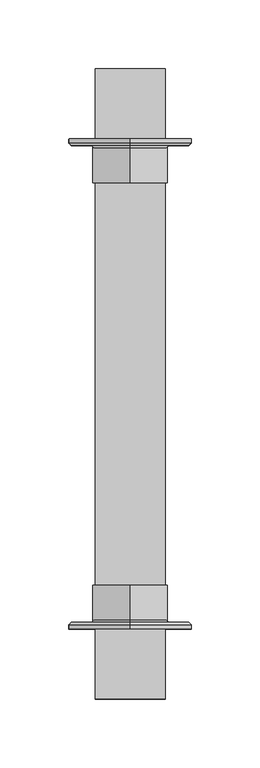
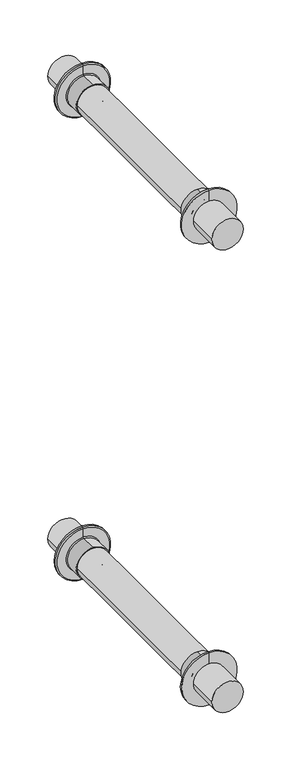
"""IFC4 building model written with IfcOpenShell, lengths in millimetres: railing geometry."""

from ifc_helpers import new_model, si_unit, point, frame, frame_2d, origin, place, context, project, spatial, polyline, circle_curve, ellipse_curve, trimmed, segment, composite_curve, outline, extrude, source, transform, mapped, element, save
from ifc_brep_helpers import plane_surface, cylinder_surface, revolved_surface, advanced_brep


def railing_b1e4fcb9(model_context):
    return source(origin(), model_context, "Body", "SolidModel", [
        extrude(outline(composite_curve([segment(trimmed(circle_curve(frame_2d((2876.826087, 5063.3486243)), 25.4), [point((2876.826087, 5037.9486243))], [point((2876.826087, 5088.7486243))], False, "CARTESIAN"), True, "CONTINUOUS"), segment(trimmed(circle_curve(frame_2d((2876.826087, 5063.3486243)), 25.4), [point((2876.826087, 5088.7486243))], [point((2876.826087, 5037.9486243))], False, "CARTESIAN"), True, "CONTINUOUS")], self_intersect=False)), frame((0.0, 2184.6935787, 0.0), z_axis=(0.0, 1.0, 0.0), x_axis=(0.0, 0.0, 1.0)), (0.0, 0.0, 1.0), 457.2),
        extrude(outline(composite_curve([segment(trimmed(circle_curve(frame_2d((2089.426087, 5063.3486243)), 25.4), [point((2089.426087, 5037.9486243))], [point((2089.426087, 5088.7486243))], False, "CARTESIAN"), True, "CONTINUOUS"), segment(trimmed(circle_curve(frame_2d((2089.426087, 5063.3486243)), 25.4), [point((2089.426087, 5088.7486243))], [point((2089.426087, 5037.9486243))], False, "CARTESIAN"), True, "CONTINUOUS")], self_intersect=False)), frame((0.0, 2184.6935787, 0.0), z_axis=(0.0, 1.0, 0.0), x_axis=(0.0, 0.0, 1.0)), (0.0, 0.0, 1.0), 457.2),
        advanced_brep(
        [(5063.3486243, 2587.9185787, 2045.0106913), (5063.3486243, 2587.9185787, 2133.9106913), (5063.3486243, 2586.3310787, 2132.3231913), (5063.3486243, 2586.3310787, 2046.5981913), (5063.3486243, 2586.3310787, 2118.0356913), (5063.3486243, 2586.3310787, 2060.8856913), (5063.3486243, 2584.7435787, 2116.4481913), (5063.3486243, 2584.7435787, 2062.4731913), (5063.3486243, 2591.0935787, 2089.4606913), (5063.3486243, 2591.0935787, 2133.9106913), (5063.3486243, 2591.0935787, 2045.0106913), (5063.3486243, 2559.3435787, 2116.4481913), (5063.3486243, 2559.3435787, 2062.4731913), (5063.3486243, 2559.3435787, 2089.4606913)],
        [
            (0, 1, circle_curve(frame((5063.3486243, 2587.9185787, 2089.4606913), z_axis=(0.0, -1.0, 0.0), x_axis=(0.0, 0.0, 1.0)), 44.45)),
            (1, 2),
            (2, 3, circle_curve(frame((5063.3486243, 2586.3310787, 2089.4606913), z_axis=(0.0, 1.0, 0.0), x_axis=(0.0, 0.0, 1.0)), 42.8625)),
            (3, 0),
            (1, 0, circle_curve(frame((5063.3486243, 2587.9185787, 2089.4606913), z_axis=(0.0, -1.0, 0.0), x_axis=(0.0, 0.0, 1.0)), 44.45)),
            (3, 2, circle_curve(frame((5063.3486243, 2586.3310787, 2089.4606913), z_axis=(0.0, 1.0, 0.0), x_axis=(0.0, 0.0, 1.0)), 42.8625)),
            (2, 4),
            (4, 5, circle_curve(frame((5063.3486243, 2586.3310787, 2089.4606913), z_axis=(0.0, 1.0, 0.0), x_axis=(0.0, 0.0, 1.0)), 28.575)),
            (5, 3),
            (5, 4, circle_curve(frame((5063.3486243, 2586.3310787, 2089.4606913), z_axis=(0.0, 1.0, 0.0), x_axis=(0.0, 0.0, 1.0)), 28.575)),
            (4, 6, circle_curve(frame((5063.3486243, 2584.7435787, 2118.0356913), z_axis=(-1.0, 0.0, 0.0), x_axis=(0.0, 1.0, 0.0)), 1.5875)),
            (6, 7, circle_curve(frame((5063.3486243, 2584.7435787, 2089.4606913), z_axis=(0.0, 1.0, 0.0), x_axis=(0.0, 0.0, 1.0)), 26.9875)),
            (7, 5, circle_curve(frame((5063.3486243, 2584.7435787, 2060.8856913), z_axis=(-1.0, 0.0, 0.0), x_axis=(0.0, 1.0, 0.0)), 1.5875)),
            (7, 6, circle_curve(frame((5063.3486243, 2584.7435787, 2089.4606913), z_axis=(0.0, 1.0, 0.0), x_axis=(0.0, 0.0, 1.0)), 26.9875)),
            (8, 9),
            (9, 10, circle_curve(frame((5063.3486243, 2591.0935787, 2089.4606913), z_axis=(0.0, 1.0, 0.0), x_axis=(0.0, 0.0, 1.0)), 44.45)),
            (10, 8),
            (10, 9, circle_curve(frame((5063.3486243, 2591.0935787, 2089.4606913), z_axis=(0.0, 1.0, 0.0), x_axis=(0.0, 0.0, 1.0)), 44.45)),
            (9, 1),
            (0, 10),
            (6, 11),
            (11, 12, circle_curve(frame((5063.3486243, 2559.3435787, 2089.4606913), z_axis=(0.0, 1.0, 0.0), x_axis=(0.0, 0.0, 1.0)), 26.9875)),
            (12, 7),
            (12, 11, circle_curve(frame((5063.3486243, 2559.3435787, 2089.4606913), z_axis=(0.0, 1.0, 0.0), x_axis=(0.0, 0.0, 1.0)), 26.9875)),
            (11, 13),
            (13, 12),
        ],
        [
            revolved_surface(polyline([(5063.3486243, 2586.3310787, 2132.3231913), (5063.3486243, 2587.9185787, 2133.9106913)]), (5063.3486243, 2559.3435787, 2089.4606913), (0.0, 1.0, 0.0)),
            plane_surface(frame((5063.3486243, 2586.3310787, 2089.4606913), z_axis=(0.0, -1.0, 0.0), x_axis=(0.0, 0.0, 1.0))),
            revolved_surface(trimmed(ellipse_curve(frame((5063.3486243, 2584.7435787, 2118.0356913), z_axis=(1.0, 0.0, 0.0), x_axis=(0.0, 1.0, 0.0)), 1.5875, 1.5875), [point((5063.3486243, 2584.7435787, 2116.4481913))], [point((5063.3486243, 2586.3310787, 2118.0356913))], True, "CARTESIAN"), (5063.3486243, 2559.3435787, 2089.4606913), (0.0, 1.0, 0.0)),
            plane_surface(frame((5063.3486243, 2591.0935787, 2089.4606913), z_axis=(0.0, 1.0, 0.0), x_axis=(0.0, 0.0, 1.0))),
            cylinder_surface(frame((5063.3486243, 2559.3435787, 2089.4606913), z_axis=(0.0, 1.0, 0.0), x_axis=(0.0, 0.0, 1.0)), 44.45),
            cylinder_surface(frame((5063.3486243, 2559.3435787, 2089.4606913), z_axis=(0.0, 1.0, 0.0), x_axis=(0.0, 0.0, 1.0)), 26.9875),
            plane_surface(frame((5063.3486243, 2559.3435787, 2089.4606913), z_axis=(0.0, -1.0, 0.0), x_axis=(0.0, 0.0, 1.0))),
        ],
        [
            (0, [[1, 2, 3, 4]]),
            (0, [[5, -4, 6, -2]]),
            (1, [[-3, 7, 8, 9]]),
            (1, [[-6, -9, 10, -7]]),
            (2, [[-8, 11, 12, 13]]),
            (2, [[-10, -13, 14, -11]]),
            (3, [[15, 16, 17]]),
            (3, [[-17, 18, -15]]),
            (4, [[-16, 19, -1, 20]]),
            (4, [[-18, -20, -5, -19]]),
            (5, [[-12, 21, 22, 23]]),
            (5, [[-14, -23, 24, -21]]),
            (6, [[-22, 25, 26]]),
            (6, [[-24, -26, -25]]),
        ],
    ),
        advanced_brep(
        [(5063.3486243, 2587.9185787, 2832.669641), (5063.3486243, 2587.9185787, 2921.569641), (5063.3486243, 2586.3310787, 2919.982141), (5063.3486243, 2586.3310787, 2834.257141), (5063.3486243, 2586.3310787, 2905.694641), (5063.3486243, 2586.3310787, 2848.544641), (5063.3486243, 2584.7435787, 2904.107141), (5063.3486243, 2584.7435787, 2850.132141), (5063.3486243, 2591.0935787, 2877.119641), (5063.3486243, 2591.0935787, 2921.569641), (5063.3486243, 2591.0935787, 2832.669641), (5063.3486243, 2559.3435787, 2904.107141), (5063.3486243, 2559.3435787, 2850.132141), (5063.3486243, 2559.3435787, 2877.119641)],
        [
            (0, 1, circle_curve(frame((5063.3486243, 2587.9185787, 2877.119641), z_axis=(0.0, -1.0, 0.0), x_axis=(0.0, 0.0, 1.0)), 44.45)),
            (1, 2),
            (2, 3, circle_curve(frame((5063.3486243, 2586.3310787, 2877.119641), z_axis=(0.0, 1.0, 0.0), x_axis=(0.0, 0.0, 1.0)), 42.8625)),
            (3, 0),
            (1, 0, circle_curve(frame((5063.3486243, 2587.9185787, 2877.119641), z_axis=(0.0, -1.0, 0.0), x_axis=(0.0, 0.0, 1.0)), 44.45)),
            (3, 2, circle_curve(frame((5063.3486243, 2586.3310787, 2877.119641), z_axis=(0.0, 1.0, 0.0), x_axis=(0.0, 0.0, 1.0)), 42.8625)),
            (2, 4),
            (4, 5, circle_curve(frame((5063.3486243, 2586.3310787, 2877.119641), z_axis=(0.0, 1.0, 0.0), x_axis=(0.0, 0.0, 1.0)), 28.575)),
            (5, 3),
            (5, 4, circle_curve(frame((5063.3486243, 2586.3310787, 2877.119641), z_axis=(0.0, 1.0, 0.0), x_axis=(0.0, 0.0, 1.0)), 28.575)),
            (4, 6, circle_curve(frame((5063.3486243, 2584.7435787, 2905.694641), z_axis=(-1.0, 0.0, 0.0), x_axis=(0.0, 1.0, 0.0)), 1.5875)),
            (6, 7, circle_curve(frame((5063.3486243, 2584.7435787, 2877.119641), z_axis=(0.0, 1.0, 0.0), x_axis=(0.0, 0.0, 1.0)), 26.9875)),
            (7, 5, circle_curve(frame((5063.3486243, 2584.7435787, 2848.544641), z_axis=(-1.0, 0.0, 0.0), x_axis=(0.0, 1.0, 0.0)), 1.5875)),
            (7, 6, circle_curve(frame((5063.3486243, 2584.7435787, 2877.119641), z_axis=(0.0, 1.0, 0.0), x_axis=(0.0, 0.0, 1.0)), 26.9875)),
            (8, 9),
            (9, 10, circle_curve(frame((5063.3486243, 2591.0935787, 2877.119641), z_axis=(0.0, 1.0, 0.0), x_axis=(0.0, 0.0, 1.0)), 44.45)),
            (10, 8),
            (10, 9, circle_curve(frame((5063.3486243, 2591.0935787, 2877.119641), z_axis=(0.0, 1.0, 0.0), x_axis=(0.0, 0.0, 1.0)), 44.45)),
            (9, 1),
            (0, 10),
            (6, 11),
            (11, 12, circle_curve(frame((5063.3486243, 2559.3435787, 2877.119641), z_axis=(0.0, 1.0, 0.0), x_axis=(0.0, 0.0, 1.0)), 26.9875)),
            (12, 7),
            (12, 11, circle_curve(frame((5063.3486243, 2559.3435787, 2877.119641), z_axis=(0.0, 1.0, 0.0), x_axis=(0.0, 0.0, 1.0)), 26.9875)),
            (11, 13),
            (13, 12),
        ],
        [
            revolved_surface(polyline([(5063.3486243, 2586.3310787, 2919.982141), (5063.3486243, 2587.9185787, 2921.569641)]), (5063.3486243, 2591.0935787, 2877.119641), (0.0, 1.0, 0.0)),
            plane_surface(frame((5063.3486243, 2586.3310787, 2877.119641), z_axis=(0.0, -1.0, 0.0), x_axis=(0.0, 0.0, 1.0))),
            revolved_surface(trimmed(ellipse_curve(frame((5063.3486243, 2584.7435787, 2905.694641), z_axis=(1.0, 0.0, 0.0), x_axis=(0.0, 1.0, 0.0)), 1.5875, 1.5875), [point((5063.3486243, 2584.7435787, 2904.107141))], [point((5063.3486243, 2586.3310787, 2905.694641))], True, "CARTESIAN"), (5063.3486243, 2591.0935787, 2877.119641), (0.0, 1.0, 0.0)),
            plane_surface(frame((5063.3486243, 2591.0935787, 2877.119641), z_axis=(0.0, 1.0, 0.0), x_axis=(0.0, 0.0, 1.0))),
            cylinder_surface(frame((5063.3486243, 2591.0935787, 2877.119641), z_axis=(0.0, 1.0, 0.0), x_axis=(0.0, 0.0, 1.0)), 44.45),
            cylinder_surface(frame((5063.3486243, 2591.0935787, 2877.119641), z_axis=(0.0, 1.0, 0.0), x_axis=(0.0, 0.0, 1.0)), 26.9875),
            plane_surface(frame((5063.3486243, 2559.3435787, 2877.119641), z_axis=(0.0, -1.0, 0.0), x_axis=(0.0, 0.0, 1.0))),
        ],
        [
            (0, [[1, 2, 3, 4]]),
            (0, [[5, -4, 6, -2]]),
            (1, [[-3, 7, 8, 9]]),
            (1, [[-6, -9, 10, -7]]),
            (2, [[-8, 11, 12, 13]]),
            (2, [[-10, -13, 14, -11]]),
            (3, [[15, 16, 17]]),
            (3, [[-17, 18, -15]]),
            (4, [[-16, 19, -1, 20]]),
            (4, [[-18, -20, -5, -19]]),
            (5, [[-12, 21, 22, 23]]),
            (5, [[-14, -23, 24, -21]]),
            (6, [[-22, 25, 26]]),
            (6, [[-24, -26, -25]]),
        ],
    ),
        advanced_brep(
        [(5063.3486243, 2240.2560787, 2046.549264), (5063.3486243, 2240.2560787, 2132.274264), (5063.3486243, 2238.6685787, 2133.861764), (5063.3486243, 2238.6685787, 2044.961764), (5063.3486243, 2240.2560787, 2060.836764), (5063.3486243, 2240.2560787, 2117.986764), (5063.3486243, 2241.8435787, 2062.424264), (5063.3486243, 2241.8435787, 2116.399264), (5063.3486243, 2235.4935787, 2044.961764), (5063.3486243, 2235.4935787, 2133.861764), (5063.3486243, 2235.4935787, 2089.411764), (5063.3486243, 2267.2435787, 2062.424264), (5063.3486243, 2267.2435787, 2116.399264), (5063.3486243, 2267.2435787, 2089.411764)],
        [
            (0, 1, circle_curve(frame((5063.3486243, 2240.2560787, 2089.411764), z_axis=(0.0, -1.0, 0.0), x_axis=(0.0, 0.0, 1.0)), 42.8625)),
            (1, 2),
            (2, 3, circle_curve(frame((5063.3486243, 2238.6685787, 2089.411764), z_axis=(0.0, 1.0, 0.0), x_axis=(0.0, 0.0, 1.0)), 44.45)),
            (3, 0),
            (1, 0, circle_curve(frame((5063.3486243, 2240.2560787, 2089.411764), z_axis=(0.0, -1.0, 0.0), x_axis=(0.0, 0.0, 1.0)), 42.8625)),
            (3, 2, circle_curve(frame((5063.3486243, 2238.6685787, 2089.411764), z_axis=(0.0, 1.0, 0.0), x_axis=(0.0, 0.0, 1.0)), 44.45)),
            (4, 5, circle_curve(frame((5063.3486243, 2240.2560787, 2089.411764), z_axis=(0.0, -1.0, 0.0), x_axis=(0.0, 0.0, 1.0)), 28.575)),
            (5, 1),
            (0, 4),
            (5, 4, circle_curve(frame((5063.3486243, 2240.2560787, 2089.411764), z_axis=(0.0, -1.0, 0.0), x_axis=(0.0, 0.0, 1.0)), 28.575)),
            (6, 7, circle_curve(frame((5063.3486243, 2241.8435787, 2089.411764), z_axis=(0.0, -1.0, 0.0), x_axis=(0.0, 0.0, 1.0)), 26.9875)),
            (7, 5, circle_curve(frame((5063.3486243, 2241.8435787, 2117.986764), z_axis=(-1.0, 0.0, 0.0), x_axis=(0.0, -1.0, 0.0)), 1.5875)),
            (4, 6, circle_curve(frame((5063.3486243, 2241.8435787, 2060.836764), z_axis=(-1.0, 0.0, 0.0), x_axis=(0.0, -1.0, 0.0)), 1.5875)),
            (7, 6, circle_curve(frame((5063.3486243, 2241.8435787, 2089.411764), z_axis=(0.0, -1.0, 0.0), x_axis=(0.0, 0.0, 1.0)), 26.9875)),
            (8, 9, circle_curve(frame((5063.3486243, 2235.4935787, 2089.411764), z_axis=(0.0, -1.0, 0.0), x_axis=(0.0, 0.0, 1.0)), 44.45)),
            (9, 10),
            (10, 8),
            (9, 8, circle_curve(frame((5063.3486243, 2235.4935787, 2089.411764), z_axis=(0.0, -1.0, 0.0), x_axis=(0.0, 0.0, 1.0)), 44.45)),
            (2, 9),
            (8, 3),
            (11, 12, circle_curve(frame((5063.3486243, 2267.2435787, 2089.411764), z_axis=(0.0, -1.0, 0.0), x_axis=(0.0, 0.0, 1.0)), 26.9875)),
            (12, 7),
            (6, 11),
            (12, 11, circle_curve(frame((5063.3486243, 2267.2435787, 2089.411764), z_axis=(0.0, -1.0, 0.0), x_axis=(0.0, 0.0, 1.0)), 26.9875)),
            (13, 12),
            (11, 13),
        ],
        [
            revolved_surface(polyline([(5063.3486243, 2238.6685787, 2133.861764), (5063.3486243, 2240.2560787, 2132.274264)]), (5063.3486243, 2267.2435787, 2089.411764), (0.0, 1.0, 0.0)),
            plane_surface(frame((5063.3486243, 2240.2560787, 2089.411764), z_axis=(0.0, 1.0, 0.0), x_axis=(0.0, 0.0, 1.0))),
            revolved_surface(trimmed(ellipse_curve(frame((5063.3486243, 2241.8435787, 2117.986764), z_axis=(1.0, 0.0, 0.0), x_axis=(0.0, -1.0, 0.0)), 1.5875, 1.5875), [point((5063.3486243, 2240.2560787, 2117.986764))], [point((5063.3486243, 2241.8435787, 2116.399264))], True, "CARTESIAN"), (5063.3486243, 2267.2435787, 2089.411764), (0.0, 1.0, 0.0)),
            plane_surface(frame((5063.3486243, 2235.4935787, 2089.411764), z_axis=(0.0, -1.0, 0.0), x_axis=(0.0, 0.0, 1.0))),
            cylinder_surface(frame((5063.3486243, 2267.2435787, 2089.411764), z_axis=(0.0, 1.0, 0.0), x_axis=(0.0, 0.0, 1.0)), 44.45),
            cylinder_surface(frame((5063.3486243, 2267.2435787, 2089.411764), z_axis=(0.0, 1.0, 0.0), x_axis=(0.0, 0.0, 1.0)), 26.9875),
            plane_surface(frame((5063.3486243, 2267.2435787, 2089.411764), z_axis=(0.0, 1.0, 0.0), x_axis=(0.0, 0.0, 1.0))),
        ],
        [
            (0, [[1, 2, 3, 4]]),
            (0, [[5, -4, 6, -2]]),
            (1, [[7, 8, -1, 9]]),
            (1, [[10, -9, -5, -8]]),
            (2, [[11, 12, -7, 13]]),
            (2, [[14, -13, -10, -12]]),
            (3, [[15, 16, 17]]),
            (3, [[18, -17, -16]]),
            (4, [[-3, 19, -15, 20]]),
            (4, [[-6, -20, -18, -19]]),
            (5, [[21, 22, -11, 23]]),
            (5, [[24, -23, -14, -22]]),
            (6, [[25, -21, 26]]),
            (6, [[-26, -24, -25]]),
        ],
    ),
        advanced_brep(
        [(5063.3486243, 2240.2560787, 2833.7651495), (5063.3486243, 2240.2560787, 2919.4901495), (5063.3486243, 2238.6685787, 2921.0776495), (5063.3486243, 2238.6685787, 2832.1776495), (5063.3486243, 2240.2560787, 2848.0526495), (5063.3486243, 2240.2560787, 2905.2026495), (5063.3486243, 2241.8435787, 2849.6401495), (5063.3486243, 2241.8435787, 2903.6151495), (5063.3486243, 2235.4935787, 2832.1776495), (5063.3486243, 2235.4935787, 2921.0776495), (5063.3486243, 2235.4935787, 2876.6276495), (5063.3486243, 2267.2435787, 2849.6401495), (5063.3486243, 2267.2435787, 2903.6151495), (5063.3486243, 2267.2435787, 2876.6276495)],
        [
            (0, 1, circle_curve(frame((5063.3486243, 2240.2560787, 2876.6276495), z_axis=(0.0, -1.0, 0.0), x_axis=(0.0, 0.0, 1.0)), 42.8625)),
            (1, 2),
            (2, 3, circle_curve(frame((5063.3486243, 2238.6685787, 2876.6276495), z_axis=(0.0, 1.0, 0.0), x_axis=(0.0, 0.0, 1.0)), 44.45)),
            (3, 0),
            (1, 0, circle_curve(frame((5063.3486243, 2240.2560787, 2876.6276495), z_axis=(0.0, -1.0, 0.0), x_axis=(0.0, 0.0, 1.0)), 42.8625)),
            (3, 2, circle_curve(frame((5063.3486243, 2238.6685787, 2876.6276495), z_axis=(0.0, 1.0, 0.0), x_axis=(0.0, 0.0, 1.0)), 44.45)),
            (4, 5, circle_curve(frame((5063.3486243, 2240.2560787, 2876.6276495), z_axis=(0.0, -1.0, 0.0), x_axis=(0.0, 0.0, 1.0)), 28.575)),
            (5, 1),
            (0, 4),
            (5, 4, circle_curve(frame((5063.3486243, 2240.2560787, 2876.6276495), z_axis=(0.0, -1.0, 0.0), x_axis=(0.0, 0.0, 1.0)), 28.575)),
            (6, 7, circle_curve(frame((5063.3486243, 2241.8435787, 2876.6276495), z_axis=(0.0, -1.0, 0.0), x_axis=(0.0, 0.0, 1.0)), 26.9875)),
            (7, 5, circle_curve(frame((5063.3486243, 2241.8435787, 2905.2026495), z_axis=(-1.0, 0.0, 0.0), x_axis=(0.0, -1.0, 0.0)), 1.5875)),
            (4, 6, circle_curve(frame((5063.3486243, 2241.8435787, 2848.0526495), z_axis=(-1.0, 0.0, 0.0), x_axis=(0.0, -1.0, 0.0)), 1.5875)),
            (7, 6, circle_curve(frame((5063.3486243, 2241.8435787, 2876.6276495), z_axis=(0.0, -1.0, 0.0), x_axis=(0.0, 0.0, 1.0)), 26.9875)),
            (8, 9, circle_curve(frame((5063.3486243, 2235.4935787, 2876.6276495), z_axis=(0.0, -1.0, 0.0), x_axis=(0.0, 0.0, 1.0)), 44.45)),
            (9, 10),
            (10, 8),
            (9, 8, circle_curve(frame((5063.3486243, 2235.4935787, 2876.6276495), z_axis=(0.0, -1.0, 0.0), x_axis=(0.0, 0.0, 1.0)), 44.45)),
            (2, 9),
            (8, 3),
            (11, 12, circle_curve(frame((5063.3486243, 2267.2435787, 2876.6276495), z_axis=(0.0, -1.0, 0.0), x_axis=(0.0, 0.0, 1.0)), 26.9875)),
            (12, 7),
            (6, 11),
            (12, 11, circle_curve(frame((5063.3486243, 2267.2435787, 2876.6276495), z_axis=(0.0, -1.0, 0.0), x_axis=(0.0, 0.0, 1.0)), 26.9875)),
            (13, 12),
            (11, 13),
        ],
        [
            revolved_surface(polyline([(5063.3486243, 2238.6685787, 2921.0776495), (5063.3486243, 2240.2560787, 2919.4901495)]), (5063.3486243, 2235.4935787, 2876.6276495), (0.0, 1.0, 0.0)),
            plane_surface(frame((5063.3486243, 2240.2560787, 2876.6276495), z_axis=(0.0, 1.0, 0.0), x_axis=(0.0, 0.0, 1.0))),
            revolved_surface(trimmed(ellipse_curve(frame((5063.3486243, 2241.8435787, 2905.2026495), z_axis=(1.0, 0.0, 0.0), x_axis=(0.0, -1.0, 0.0)), 1.5875, 1.5875), [point((5063.3486243, 2240.2560787, 2905.2026495))], [point((5063.3486243, 2241.8435787, 2903.6151495))], True, "CARTESIAN"), (5063.3486243, 2235.4935787, 2876.6276495), (0.0, 1.0, 0.0)),
            plane_surface(frame((5063.3486243, 2235.4935787, 2876.6276495), z_axis=(0.0, -1.0, 0.0), x_axis=(0.0, 0.0, 1.0))),
            cylinder_surface(frame((5063.3486243, 2235.4935787, 2876.6276495), z_axis=(0.0, 1.0, 0.0), x_axis=(0.0, 0.0, 1.0)), 44.45),
            cylinder_surface(frame((5063.3486243, 2235.4935787, 2876.6276495), z_axis=(0.0, 1.0, 0.0), x_axis=(0.0, 0.0, 1.0)), 26.9875),
            plane_surface(frame((5063.3486243, 2267.2435787, 2876.6276495), z_axis=(0.0, 1.0, 0.0), x_axis=(0.0, 0.0, 1.0))),
        ],
        [
            (0, [[1, 2, 3, 4]]),
            (0, [[5, -4, 6, -2]]),
            (1, [[7, 8, -1, 9]]),
            (1, [[10, -9, -5, -8]]),
            (2, [[11, 12, -7, 13]]),
            (2, [[14, -13, -10, -12]]),
            (3, [[15, 16, 17]]),
            (3, [[18, -17, -16]]),
            (4, [[-3, 19, -15, 20]]),
            (4, [[-6, -20, -18, -19]]),
            (5, [[21, 22, -11, 23]]),
            (5, [[24, -23, -14, -22]]),
            (6, [[25, -21, 26]]),
            (6, [[-26, -24, -25]]),
        ],
    ),
    ])


if __name__ == "__main__":
    model = new_model("IFC4")
    model_context = context("Model", 3, world=origin())
    ifc_project = project(units=[si_unit("LENGTHUNIT", "METRE", prefix="MILLI")], contexts=[model_context])
    site = spatial("IfcSite", under=ifc_project)
    building = spatial("IfcBuilding", under=site)
    placement = place(None, origin())
    railing_shape = railing_b1e4fcb9(model_context)
    element("IfcRailing", 1, at=placement, inside=building, context=model_context, shape_type="MappedRepresentation", body=[
        mapped(railing_shape, transform((0.0, 0.0, 0.0), x_axis=(1.0, 0.0, 0.0), y_axis=(0.0, 1.0, 0.0), z_axis=(0.0, 0.0, 1.0))),
    ])
    save(model, "model.ifc")
